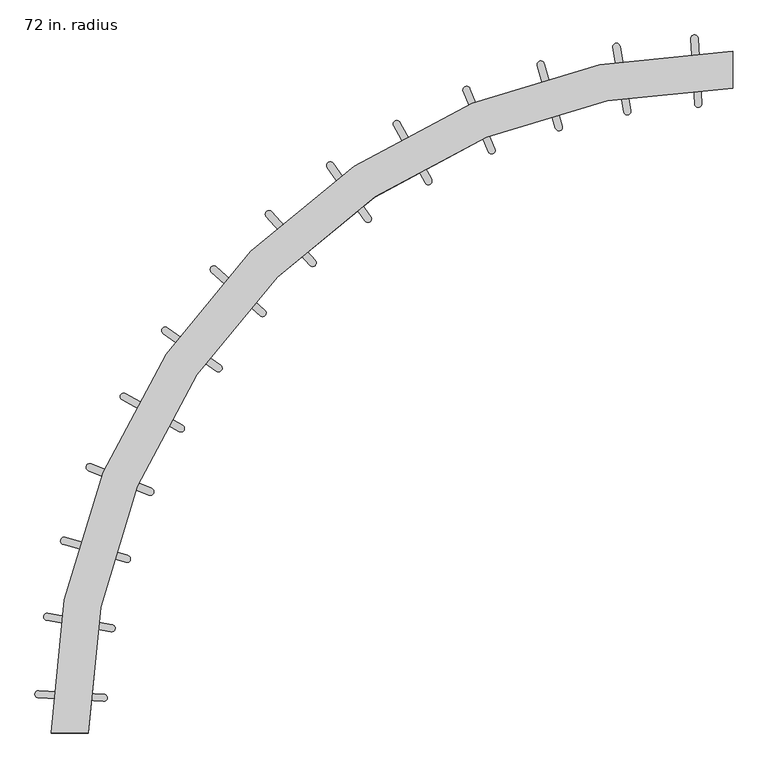
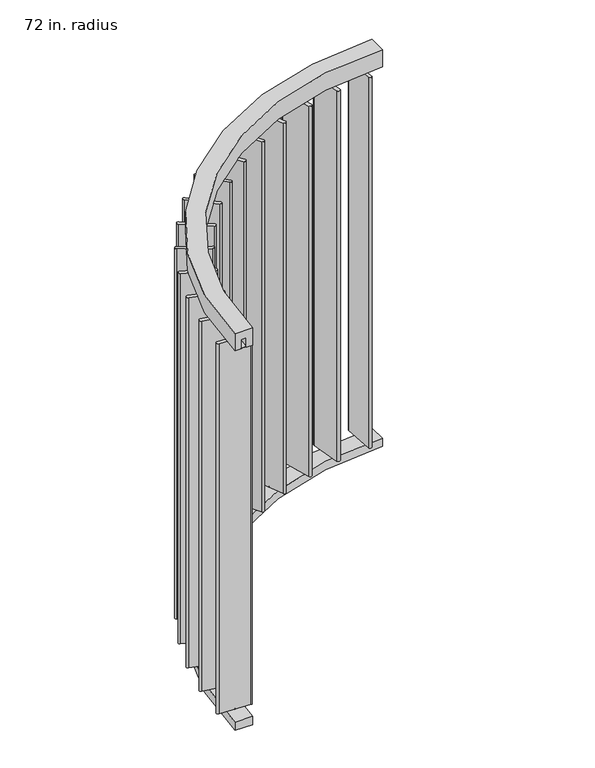
"""IFC4 building model written with IfcOpenShell, lengths in millimetres: furniture geometry, 72 in. radius."""

from ifc_helpers import new_model, si_unit, point, frame, frame_2d, origin, place, context, project, spatial, polyline, circle_curve, trimmed, segment, composite_curve, outline, extrude, source, transform, mapped, element, save
from ifc_brep_helpers import plane_surface, cylinder_surface, revolved_surface, advanced_brep


def furniture_72_in_radius_f867d50b(model_context):
    return source(origin(), model_context, "Body", "SolidModel", [
        extrude(outline(composite_curve([segment(trimmed(circle_curve(frame_2d((-62.7402712, 1825.7118169)), 6.0), [point((-67.2129486, 1829.7112115))], [point((-58.2675938, 1821.7124223))], False, "CARTESIAN"), True, "CONTINUOUS"), segment(trimmed(circle_curve(frame_2d((-62.7402712, 1825.7118169)), 6.0), [point((-58.2675938, 1821.7124223))], [point((-67.2129486, 1829.7112115))], False, "CARTESIAN"), True, "CONTINUOUS")], self_intersect=False)), frame((0.0, 0.0, 2331.8390625), z_axis=(0.0, 0.0, 1.0), x_axis=(1.0, 0.0, 0.0)), (0.0, 0.0, 1.0), 4.9609375),
        extrude(outline(composite_curve([segment(trimmed(circle_curve(frame_2d((-62.7402712, 1825.7118169)), 6.0), [point((-67.2129486, 1829.7112115))], [point((-58.2675938, 1821.7124223))], False, "CARTESIAN"), True, "CONTINUOUS"), segment(trimmed(circle_curve(frame_2d((-62.7402712, 1825.7118169)), 6.0), [point((-58.2675938, 1821.7124223))], [point((-67.2129486, 1829.7112115))], False, "CARTESIAN"), True, "CONTINUOUS")], self_intersect=False)), frame((0.0, 0.0, 63.5), z_axis=(0.0, 0.0, 1.0), x_axis=(1.0, 0.0, 0.0)), (0.0, 0.0, 1.0), 4.9609375),
        extrude(outline(composite_curve([segment(polyline([(-57.7748084, 1916.1124492), (-47.7357097, 1736.4060257)]), True, "CONTINUOUS"), segment(trimmed(circle_curve(frame_2d((-57.7201443, 1735.8482564)), 10.0000021), [point((-47.7357097, 1736.4060257))], [point((-67.704579, 1735.2904875))], False, "CARTESIAN"), True, "CONTINUOUS"), segment(polyline([(-67.704579, 1735.2904875), (-77.7436715, 1914.9969113)]), True, "CONTINUOUS"), segment(trimmed(circle_curve(frame_2d((-67.75924, 1915.55468)), 9.999999), [point((-77.7436715, 1914.9969113))], [point((-57.7748084, 1916.1124492))], False, "CARTESIAN"), True, "CONTINUOUS")], self_intersect=False)), frame((0.0, 0.0, 68.4609375), z_axis=(0.0, 0.0, 1.0), x_axis=(1.0, 0.0, 0.0)), (0.0, 0.0, 1.0), 2263.378125),
        extrude(outline(composite_curve([segment(trimmed(circle_curve(frame_2d((-268.0710539, 1803.8681342)), 6.0), [point((-272.9636666, 1807.3412223))], [point((-263.1784413, 1800.395046))], False, "CARTESIAN"), True, "CONTINUOUS"), segment(trimmed(circle_curve(frame_2d((-268.0710539, 1803.8681342)), 6.0), [point((-263.1784413, 1800.395046))], [point((-272.9636666, 1807.3412223))], False, "CARTESIAN"), True, "CONTINUOUS")], self_intersect=False)), frame((0.0, 0.0, 2331.8390625), z_axis=(0.0, 0.0, 1.0), x_axis=(1.0, 0.0, 0.0)), (0.0, 0.0, 1.0), 4.9609375),
        extrude(outline(composite_curve([segment(trimmed(circle_curve(frame_2d((-268.0710539, 1803.8681342)), 6.0), [point((-272.9636666, 1807.3412223))], [point((-263.1784413, 1800.395046))], False, "CARTESIAN"), True, "CONTINUOUS"), segment(trimmed(circle_curve(frame_2d((-268.0710539, 1803.8681342)), 6.0), [point((-263.1784413, 1800.395046))], [point((-272.9636666, 1807.3412223))], False, "CARTESIAN"), True, "CONTINUOUS")], self_intersect=False)), frame((0.0, 0.0, 63.5), z_axis=(0.0, 0.0, 1.0), x_axis=(1.0, 0.0, 0.0)), (0.0, 0.0, 1.0), 4.9609375),
        extrude(outline(composite_curve([segment(polyline([(-273.2654573, 1894.2559005), (-243.1550337, 1716.8057821)]), True, "CONTINUOUS"), segment(trimmed(circle_curve(frame_2d((-253.0141087, 1715.1328561)), 10.0000021), [point((-243.1550337, 1716.8057821))], [point((-262.8731838, 1713.4599304))], False, "CARTESIAN"), True, "CONTINUOUS"), segment(polyline([(-262.8731838, 1713.4599304), (-292.9836013, 1890.9100498)]), True, "CONTINUOUS"), segment(trimmed(circle_curve(frame_2d((-283.1245293, 1892.582975)), 9.999999), [point((-292.9836013, 1890.9100498))], [point((-273.2654573, 1894.2559005))], False, "CARTESIAN"), True, "CONTINUOUS")], self_intersect=False)), frame((0.0, 0.0, 68.4609375), z_axis=(0.0, 0.0, 1.0), x_axis=(1.0, 0.0, 0.0)), (0.0, 0.0, 1.0), 2263.378125),
        extrude(outline(composite_curve([segment(trimmed(circle_curve(frame_2d((-466.8878934, 1757.4010497)), 6.0), [point((-472.1388292, 1760.3040951))], [point((-461.6369575, 1754.4980042))], False, "CARTESIAN"), True, "CONTINUOUS"), segment(trimmed(circle_curve(frame_2d((-466.8878934, 1757.4010497)), 6.0), [point((-461.6369575, 1754.4980042))], [point((-472.1388292, 1760.3040951))], False, "CARTESIAN"), True, "CONTINUOUS")], self_intersect=False)), frame((0.0, 0.0, 2331.8390625), z_axis=(0.0, 0.0, 1.0), x_axis=(1.0, 0.0, 0.0)), (0.0, 0.0, 1.0), 4.9609375),
        extrude(outline(composite_curve([segment(trimmed(circle_curve(frame_2d((-466.8878934, 1757.4010497)), 6.0), [point((-472.1388292, 1760.3040951))], [point((-461.6369575, 1754.4980042))], False, "CARTESIAN"), True, "CONTINUOUS"), segment(trimmed(circle_curve(frame_2d((-466.8878934, 1757.4010497)), 6.0), [point((-461.6369575, 1754.4980042))], [point((-472.1388292, 1760.3040951))], False, "CARTESIAN"), True, "CONTINUOUS")], self_intersect=False)), frame((0.0, 0.0, 63.5), z_axis=(0.0, 0.0, 1.0), x_axis=(1.0, 0.0, 0.0)), (0.0, 0.0, 1.0), 4.9609375),
        extrude(outline(composite_curve([segment(polyline([(-482.1767518, 1846.6377066), (-432.3741779, 1673.678504)]), True, "CONTINUOUS"), segment(trimmed(circle_curve(frame_2d((-441.983739, 1670.9114881)), 10.0000021), [point((-432.3741779, 1673.678504))], [point((-451.5933002, 1668.1444724))], False, "CARTESIAN"), True, "CONTINUOUS"), segment(polyline([(-451.5933002, 1668.1444724), (-501.3958681, 1841.1036767)]), True, "CONTINUOUS"), segment(trimmed(circle_curve(frame_2d((-491.7863099, 1843.8706915)), 9.999999), [point((-501.3958681, 1841.1036767))], [point((-482.1767518, 1846.6377066))], False, "CARTESIAN"), True, "CONTINUOUS")], self_intersect=False)), frame((0.0, 0.0, 68.4609375), z_axis=(0.0, 0.0, 1.0), x_axis=(1.0, 0.0, 0.0)), (0.0, 0.0, 1.0), 2263.378125),
        extrude(outline(composite_curve([segment(trimmed(circle_curve(frame_2d((-662.1605905, 1690.3465261)), 6.0), [point((-667.703725, 1692.6429711))], [point((-656.617456, 1688.0500811))], False, "CARTESIAN"), True, "CONTINUOUS"), segment(trimmed(circle_curve(frame_2d((-662.1605905, 1690.3465261)), 6.0), [point((-656.617456, 1688.0500811))], [point((-667.703725, 1692.6429711))], False, "CARTESIAN"), True, "CONTINUOUS")], self_intersect=False)), frame((0.0, 0.0, 2331.8390625), z_axis=(0.0, 0.0, 1.0), x_axis=(1.0, 0.0, 0.0)), (0.0, 0.0, 1.0), 4.9609375),
        extrude(outline(composite_curve([segment(trimmed(circle_curve(frame_2d((-662.1605905, 1690.3465261)), 6.0), [point((-667.703725, 1692.6429711))], [point((-656.617456, 1688.0500811))], False, "CARTESIAN"), True, "CONTINUOUS"), segment(trimmed(circle_curve(frame_2d((-662.1605905, 1690.3465261)), 6.0), [point((-656.617456, 1688.0500811))], [point((-667.703725, 1692.6429711))], False, "CARTESIAN"), True, "CONTINUOUS")], self_intersect=False)), frame((0.0, 0.0, 63.5), z_axis=(0.0, 0.0, 1.0), x_axis=(1.0, 0.0, 0.0)), (0.0, 0.0, 1.0), 4.9609375),
        extrude(outline(composite_curve([segment(polyline([(-687.3513729, 1777.3083258), (-618.4838074, 1611.018096)]), True, "CONTINUOUS"), segment(trimmed(circle_curve(frame_2d((-627.7228424, 1607.1918348)), 10.0000021), [point((-618.4838074, 1611.018096))], [point((-636.9618775, 1603.365574))], False, "CARTESIAN"), True, "CONTINUOUS"), segment(polyline([(-636.9618775, 1603.365574), (-705.8294373, 1769.6558062)]), True, "CONTINUOUS"), segment(trimmed(circle_curve(frame_2d((-696.5904051, 1773.4820659)), 9.999999), [point((-705.8294373, 1769.6558062))], [point((-687.3513729, 1777.3083258))], False, "CARTESIAN"), True, "CONTINUOUS")], self_intersect=False)), frame((0.0, 0.0, 68.4609375), z_axis=(0.0, 0.0, 1.0), x_axis=(1.0, 0.0, 0.0)), (0.0, 0.0, 1.0), 2263.378125),
        extrude(outline(composite_curve([segment(trimmed(circle_curve(frame_2d((-845.5208251, 1600.7262647)), 6.0), [point((-851.2863542, 1602.3871903))], [point((-839.755296, 1599.0653391))], False, "CARTESIAN"), True, "CONTINUOUS"), segment(trimmed(circle_curve(frame_2d((-845.5208251, 1600.7262647)), 6.0), [point((-839.755296, 1599.0653391))], [point((-851.2863542, 1602.3871903))], False, "CARTESIAN"), True, "CONTINUOUS")], self_intersect=False)), frame((0.0, 0.0, 2331.8390625), z_axis=(0.0, 0.0, 1.0), x_axis=(1.0, 0.0, 0.0)), (0.0, 0.0, 1.0), 4.9609375),
        extrude(outline(composite_curve([segment(trimmed(circle_curve(frame_2d((-845.5208251, 1600.7262647)), 6.0), [point((-851.2863542, 1602.3871903))], [point((-839.755296, 1599.0653391))], False, "CARTESIAN"), True, "CONTINUOUS"), segment(trimmed(circle_curve(frame_2d((-845.5208251, 1600.7262647)), 6.0), [point((-839.755296, 1599.0653391))], [point((-851.2863542, 1602.3871903))], False, "CARTESIAN"), True, "CONTINUOUS")], self_intersect=False)), frame((0.0, 0.0, 63.5), z_axis=(0.0, 0.0, 1.0), x_axis=(1.0, 0.0, 0.0)), (0.0, 0.0, 1.0), 4.9609375),
        extrude(outline(composite_curve([segment(polyline([(-880.2963067, 1684.3181065), (-793.2309915, 1526.7909247)]), True, "CONTINUOUS"), segment(trimmed(circle_curve(frame_2d((-801.9831542, 1521.953602)), 10.0000021), [point((-793.2309915, 1526.7909247))], [point((-810.735317, 1517.1162797))], False, "CARTESIAN"), True, "CONTINUOUS"), segment(polyline([(-810.735317, 1517.1162797), (-897.8006268, 1674.6434645)]), True, "CONTINUOUS"), segment(trimmed(circle_curve(frame_2d((-889.0484667, 1679.4807853)), 9.999999), [point((-897.8006268, 1674.6434645))], [point((-880.2963067, 1684.3181065))], False, "CARTESIAN"), True, "CONTINUOUS")], self_intersect=False)), frame((0.0, 0.0, 68.4609375), z_axis=(0.0, 0.0, 1.0), x_axis=(1.0, 0.0, 0.0)), (0.0, 0.0, 1.0), 2263.378125),
        extrude(outline(composite_curve([segment(trimmed(circle_curve(frame_2d((-1020.7815216, 1491.8432837)), 6.0), [point((-1026.6968406, 1492.8477742))], [point((-1014.8662026, 1490.8387933))], False, "CARTESIAN"), True, "CONTINUOUS"), segment(trimmed(circle_curve(frame_2d((-1020.7815216, 1491.8432837)), 6.0), [point((-1014.8662026, 1490.8387933))], [point((-1026.6968406, 1492.8477742))], False, "CARTESIAN"), True, "CONTINUOUS")], self_intersect=False)), frame((0.0, 0.0, 2331.8390625), z_axis=(0.0, 0.0, 1.0), x_axis=(1.0, 0.0, 0.0)), (0.0, 0.0, 1.0), 4.9609375),
        extrude(outline(composite_curve([segment(trimmed(circle_curve(frame_2d((-1020.7815216, 1491.8432837)), 6.0), [point((-1026.6968406, 1492.8477742))], [point((-1014.8662026, 1490.8387933))], False, "CARTESIAN"), True, "CONTINUOUS"), segment(trimmed(circle_curve(frame_2d((-1020.7815216, 1491.8432837)), 6.0), [point((-1014.8662026, 1490.8387933))], [point((-1026.6968406, 1492.8477742))], False, "CARTESIAN"), True, "CONTINUOUS")], self_intersect=False)), frame((0.0, 0.0, 63.5), z_axis=(0.0, 0.0, 1.0), x_axis=(1.0, 0.0, 0.0)), (0.0, 0.0, 1.0), 4.9609375),
        extrude(outline(composite_curve([segment(polyline([(-1064.7037786, 1571.0125042), (-960.5371177, 1424.2320938)]), True, "CONTINUOUS"), segment(trimmed(circle_curve(frame_2d((-968.6921931, 1418.4446256)), 10.0000021), [point((-960.5371177, 1424.2320938))], [point((-976.8472686, 1412.6571576))], False, "CARTESIAN"), True, "CONTINUOUS"), segment(polyline([(-976.8472686, 1412.6571576), (-1081.0139244, 1559.4375716)]), True, "CONTINUOUS"), segment(trimmed(circle_curve(frame_2d((-1072.8588514, 1565.2250378)), 9.999999), [point((-1081.0139244, 1559.4375716))], [point((-1064.7037786, 1571.0125042))], False, "CARTESIAN"), True, "CONTINUOUS")], self_intersect=False)), frame((0.0, 0.0, 68.4609375), z_axis=(0.0, 0.0, 1.0), x_axis=(1.0, 0.0, 0.0)), (0.0, 0.0, 1.0), 2263.378125),
        extrude(outline(composite_curve([segment(trimmed(circle_curve(frame_2d((-1181.3122341, 1363.7610939)), 6.0), [point((-1187.302852, 1364.0964998))], [point((-1175.3216162, 1363.4256881))], False, "CARTESIAN"), True, "CONTINUOUS"), segment(trimmed(circle_curve(frame_2d((-1181.3122341, 1363.7610939)), 6.0), [point((-1175.3216162, 1363.4256881))], [point((-1187.302852, 1364.0964998))], False, "CARTESIAN"), True, "CONTINUOUS")], self_intersect=False)), frame((0.0, 0.0, 2331.8390625), z_axis=(0.0, 0.0, 1.0), x_axis=(1.0, 0.0, 0.0)), (0.0, 0.0, 1.0), 4.9609375),
        extrude(outline(composite_curve([segment(trimmed(circle_curve(frame_2d((-1181.3122341, 1363.7610939)), 6.0), [point((-1187.302852, 1364.0964998))], [point((-1175.3216162, 1363.4256881))], False, "CARTESIAN"), True, "CONTINUOUS"), segment(trimmed(circle_curve(frame_2d((-1181.3122341, 1363.7610939)), 6.0), [point((-1175.3216162, 1363.4256881))], [point((-1187.302852, 1364.0964998))], False, "CARTESIAN"), True, "CONTINUOUS")], self_intersect=False)), frame((0.0, 0.0, 63.5), z_axis=(0.0, 0.0, 1.0), x_axis=(1.0, 0.0, 0.0)), (0.0, 0.0, 1.0), 4.9609375),
        extrude(outline(composite_curve([segment(polyline([(-1233.8281567, 1437.5107245), (-1113.8719125, 1303.3254735)]), True, "CONTINUOUS"), segment(trimmed(circle_curve(frame_2d((-1121.3272045, 1296.6607407)), 10.0000021), [point((-1113.8719125, 1303.3254735))], [point((-1128.7824968, 1289.9960083))], False, "CARTESIAN"), True, "CONTINUOUS"), segment(polyline([(-1128.7824968, 1289.9960083), (-1248.7387364, 1424.1812634)]), True, "CONTINUOUS"), segment(trimmed(circle_curve(frame_2d((-1241.2834465, 1430.8459938)), 9.999999), [point((-1248.7387364, 1424.1812634))], [point((-1233.8281567, 1437.5107245))], False, "CARTESIAN"), True, "CONTINUOUS")], self_intersect=False)), frame((0.0, 0.0, 68.4609375), z_axis=(0.0, 0.0, 1.0), x_axis=(1.0, 0.0, 0.0)), (0.0, 0.0, 1.0), 2263.378125),
        extrude(outline(composite_curve([segment(trimmed(circle_curve(frame_2d((-1326.4288115, 1218.4963384)), 6.0), [point((-1332.4192891, 1218.1584358))], [point((-1320.4383339, 1218.834241))], False, "CARTESIAN"), True, "CONTINUOUS"), segment(trimmed(circle_curve(frame_2d((-1326.4288115, 1218.4963384)), 6.0), [point((-1320.4383339, 1218.834241))], [point((-1332.4192891, 1218.1584358))], False, "CARTESIAN"), True, "CONTINUOUS")], self_intersect=False)), frame((0.0, 0.0, 2331.8390625), z_axis=(0.0, 0.0, 1.0), x_axis=(1.0, 0.0, 0.0)), (0.0, 0.0, 1.0), 4.9609375),
        extrude(outline(composite_curve([segment(trimmed(circle_curve(frame_2d((-1326.4288115, 1218.4963384)), 6.0), [point((-1332.4192891, 1218.1584358))], [point((-1320.4383339, 1218.834241))], False, "CARTESIAN"), True, "CONTINUOUS"), segment(trimmed(circle_curve(frame_2d((-1326.4288115, 1218.4963384)), 6.0), [point((-1320.4383339, 1218.834241))], [point((-1332.4192891, 1218.1584358))], False, "CARTESIAN"), True, "CONTINUOUS")], self_intersect=False)), frame((0.0, 0.0, 63.5), z_axis=(0.0, 0.0, 1.0), x_axis=(1.0, 0.0, 0.0)), (0.0, 0.0, 1.0), 4.9609375),
        extrude(outline(composite_curve([segment(polyline([(-1386.8770746, 1285.897656), (-1252.641839, 1165.9973488)]), True, "CONTINUOUS"), segment(trimmed(circle_curve(frame_2d((-1259.3034639, 1158.5392797)), 10.0000021), [point((-1252.641839, 1165.9973488))], [point((-1265.9650891, 1151.0812107))], False, "CARTESIAN"), True, "CONTINUOUS"), segment(polyline([(-1265.9650891, 1151.0812107), (-1400.2003205, 1270.9815225)]), True, "CONTINUOUS"), segment(trimmed(circle_curve(frame_2d((-1393.5386974, 1278.4395891)), 9.999999), [point((-1400.2003205, 1270.9815225))], [point((-1386.8770746, 1285.897656))], False, "CARTESIAN"), True, "CONTINUOUS")], self_intersect=False)), frame((0.0, 0.0, 68.4609375), z_axis=(0.0, 0.0, 1.0), x_axis=(1.0, 0.0, 0.0)), (0.0, 0.0, 1.0), 2263.378125),
        extrude(outline(composite_curve([segment(trimmed(circle_curve(frame_2d((-1454.3038148, 1057.8960751)), 6.0), [point((-1460.2187146, 1056.8891193))], [point((-1448.388915, 1058.9030309))], False, "CARTESIAN"), True, "CONTINUOUS"), segment(trimmed(circle_curve(frame_2d((-1454.3038148, 1057.8960751)), 6.0), [point((-1448.388915, 1058.9030309))], [point((-1460.2187146, 1056.8891193))], False, "CARTESIAN"), True, "CONTINUOUS")], self_intersect=False)), frame((0.0, 0.0, 2331.8390625), z_axis=(0.0, 0.0, 1.0), x_axis=(1.0, 0.0, 0.0)), (0.0, 0.0, 1.0), 4.9609375),
        extrude(outline(composite_curve([segment(trimmed(circle_curve(frame_2d((-1454.3038148, 1057.8960751)), 6.0), [point((-1460.2187146, 1056.8891193))], [point((-1448.388915, 1058.9030309))], False, "CARTESIAN"), True, "CONTINUOUS"), segment(trimmed(circle_curve(frame_2d((-1454.3038148, 1057.8960751)), 6.0), [point((-1448.388915, 1058.9030309))], [point((-1460.2187146, 1056.8891193))], False, "CARTESIAN"), True, "CONTINUOUS")], self_intersect=False)), frame((0.0, 0.0, 63.5), z_axis=(0.0, 0.0, 1.0), x_axis=(1.0, 0.0, 0.0)), (0.0, 0.0, 1.0), 4.9609375),
        extrude(outline(composite_curve([segment(polyline([(-1521.9231987, 1118.100303), (-1375.099384, 1013.9948298)]), True, "CONTINUOUS"), segment(trimmed(circle_curve(frame_2d((-1380.8834527, 1005.837343)), 10.0000021), [point((-1375.099384, 1013.9948298))], [point((-1386.6675216, 997.6798563))], False, "CARTESIAN"), True, "CONTINUOUS"), segment(polyline([(-1386.6675216, 997.6798563), (-1533.4913328, 1101.7853346)]), True, "CONTINUOUS"), segment(trimmed(circle_curve(frame_2d((-1527.7072656, 1109.9428187)), 9.999999), [point((-1533.4913328, 1101.7853346))], [point((-1521.9231987, 1118.100303))], False, "CARTESIAN"), True, "CONTINUOUS")], self_intersect=False)), frame((0.0, 0.0, 68.4609375), z_axis=(0.0, 0.0, 1.0), x_axis=(1.0, 0.0, 0.0)), (0.0, 0.0, 1.0), 2263.378125),
        extrude(outline(composite_curve([segment(trimmed(circle_curve(frame_2d((-1563.4211308, 883.898911)), 6.0), [point((-1569.188701, 882.2450868))], [point((-1557.6535606, 885.5527351))], False, "CARTESIAN"), True, "CONTINUOUS"), segment(trimmed(circle_curve(frame_2d((-1563.4211308, 883.898911)), 6.0), [point((-1557.6535606, 885.5527351))], [point((-1569.188701, 882.2450868))], False, "CARTESIAN"), True, "CONTINUOUS")], self_intersect=False)), frame((0.0, 0.0, 2331.8390625), z_axis=(0.0, 0.0, 1.0), x_axis=(1.0, 0.0, 0.0)), (0.0, 0.0, 1.0), 4.9609375),
        extrude(outline(composite_curve([segment(trimmed(circle_curve(frame_2d((-1563.4211308, 883.898911)), 6.0), [point((-1569.188701, 882.2450868))], [point((-1557.6535606, 885.5527351))], False, "CARTESIAN"), True, "CONTINUOUS"), segment(trimmed(circle_curve(frame_2d((-1563.4211308, 883.898911)), 6.0), [point((-1557.6535606, 885.5527351))], [point((-1569.188701, 882.2450868))], False, "CARTESIAN"), True, "CONTINUOUS")], self_intersect=False)), frame((0.0, 0.0, 63.5), z_axis=(0.0, 0.0, 1.0), x_axis=(1.0, 0.0, 0.0)), (0.0, 0.0, 1.0), 4.9609375),
        extrude(outline(composite_curve([segment(polyline([(-1637.2738897, 936.2697056), (-1479.8540475, 849.0104631)]), True, "CONTINUOUS"), segment(trimmed(circle_curve(frame_2d((-1484.7021447, 840.2642642)), 10.0000021), [point((-1479.8540475, 849.0104631))], [point((-1489.5502421, 831.5180654))], False, "CARTESIAN"), True, "CONTINUOUS"), segment(polyline([(-1489.5502421, 831.5180654), (-1646.9700813, 918.7773134)]), True, "CONTINUOUS"), segment(trimmed(circle_curve(frame_2d((-1642.1219854, 927.5235094)), 9.999999), [point((-1646.9700813, 918.7773134))], [point((-1637.2738897, 936.2697056))], False, "CARTESIAN"), True, "CONTINUOUS")], self_intersect=False)), frame((0.0, 0.0, 68.4609375), z_axis=(0.0, 0.0, 1.0), x_axis=(1.0, 0.0, 0.0)), (0.0, 0.0, 1.0), 2263.378125),
        extrude(outline(composite_curve([segment(trimmed(circle_curve(frame_2d((-1652.7103839, 699.1685369)), 6.0), [point((-1658.233413, 696.8241501))], [point((-1647.1873548, 701.5129236))], False, "CARTESIAN"), True, "CONTINUOUS"), segment(trimmed(circle_curve(frame_2d((-1652.7103839, 699.1685369)), 6.0), [point((-1647.1873548, 701.5129236))], [point((-1658.233413, 696.8241501))], False, "CARTESIAN"), True, "CONTINUOUS")], self_intersect=False)), frame((0.0, 0.0, 2331.8390625), z_axis=(0.0, 0.0, 1.0), x_axis=(1.0, 0.0, 0.0)), (0.0, 0.0, 1.0), 4.9609375),
        extrude(outline(composite_curve([segment(trimmed(circle_curve(frame_2d((-1652.7103839, 699.1685369)), 6.0), [point((-1658.233413, 696.8241501))], [point((-1647.1873548, 701.5129236))], False, "CARTESIAN"), True, "CONTINUOUS"), segment(trimmed(circle_curve(frame_2d((-1652.7103839, 699.1685369)), 6.0), [point((-1647.1873548, 701.5129236))], [point((-1658.233413, 696.8241501))], False, "CARTESIAN"), True, "CONTINUOUS")], self_intersect=False)), frame((0.0, 0.0, 63.5), z_axis=(0.0, 0.0, 1.0), x_axis=(1.0, 0.0, 0.0)), (0.0, 0.0, 1.0), 4.9609375),
        extrude(outline(composite_curve([segment(polyline([(-1732.3950499, 742.1485803), (-1565.5143647, 674.7244078)]), True, "CONTINUOUS"), segment(trimmed(circle_curve(frame_2d((-1569.2604314, 665.4525673)), 10.0000021), [point((-1565.5143647, 674.7244078))], [point((-1573.0064984, 656.1807269))], False, "CARTESIAN"), True, "CONTINUOUS"), segment(polyline([(-1573.0064984, 656.1807269), (-1739.8871813, 723.6049052)]), True, "CONTINUOUS"), segment(trimmed(circle_curve(frame_2d((-1736.1411154, 732.8767427)), 9.999999), [point((-1739.8871813, 723.6049052))], [point((-1732.3950499, 742.1485803))], False, "CARTESIAN"), True, "CONTINUOUS")], self_intersect=False)), frame((0.0, 0.0, 68.4609375), z_axis=(0.0, 0.0, 1.0), x_axis=(1.0, 0.0, 0.0)), (0.0, 0.0, 1.0), 2263.378125),
        extrude(outline(composite_curve([segment(trimmed(circle_curve(frame_2d((-1720.2393717, 504.9831694)), 6.0), [point((-1725.4870899, 502.0743117))], [point((-1714.9916535, 507.8920271))], False, "CARTESIAN"), True, "CONTINUOUS"), segment(trimmed(circle_curve(frame_2d((-1720.2393717, 504.9831694)), 6.0), [point((-1714.9916535, 507.8920271))], [point((-1725.4870899, 502.0743117))], False, "CARTESIAN"), True, "CONTINUOUS")], self_intersect=False)), frame((0.0, 0.0, 2331.8390625), z_axis=(0.0, 0.0, 1.0), x_axis=(1.0, 0.0, 0.0)), (0.0, 0.0, 1.0), 4.9609375),
        extrude(outline(composite_curve([segment(trimmed(circle_curve(frame_2d((-1720.2393717, 504.9831694)), 6.0), [point((-1725.4870899, 502.0743117))], [point((-1714.9916535, 507.8920271))], False, "CARTESIAN"), True, "CONTINUOUS"), segment(trimmed(circle_curve(frame_2d((-1720.2393717, 504.9831694)), 6.0), [point((-1714.9916535, 507.8920271))], [point((-1725.4870899, 502.0743117))], False, "CARTESIAN"), True, "CONTINUOUS")], self_intersect=False)), frame((0.0, 0.0, 63.5), z_axis=(0.0, 0.0, 1.0), x_axis=(1.0, 0.0, 0.0)), (0.0, 0.0, 1.0), 4.9609375),
        extrude(outline(composite_curve([segment(polyline([(-1803.9801547, 539.398448), (-1630.9659142, 489.7874137)]), True, "CONTINUOUS"), segment(trimmed(circle_curve(frame_2d((-1633.7222883, 480.1747947)), 10.0000021), [point((-1630.9659142, 489.7874137))], [point((-1636.4786627, 470.5621758))], False, "CARTESIAN"), True, "CONTINUOUS"), segment(polyline([(-1636.4786627, 470.5621758), (-1809.4929015, 520.1732161)]), True, "CONTINUOUS"), segment(trimmed(circle_curve(frame_2d((-1806.7365279, 529.785832)), 9.999999), [point((-1809.4929015, 520.1732161))], [point((-1803.9801547, 539.398448))], False, "CARTESIAN"), True, "CONTINUOUS")], self_intersect=False)), frame((0.0, 0.0, 68.4609375), z_axis=(0.0, 0.0, 1.0), x_axis=(1.0, 0.0, 0.0)), (0.0, 0.0, 1.0), 2263.378125),
        extrude(outline(composite_curve([segment(trimmed(circle_curve(frame_2d((-1764.6514865, 304.6306878)), 6.0), [point((-1769.5663988, 301.1892292))], [point((-1759.7365742, 308.0721464))], False, "CARTESIAN"), True, "CONTINUOUS"), segment(trimmed(circle_curve(frame_2d((-1764.6514865, 304.6306878)), 6.0), [point((-1759.7365742, 308.0721464))], [point((-1769.5663988, 301.1892292))], False, "CARTESIAN"), True, "CONTINUOUS")], self_intersect=False)), frame((0.0, 0.0, 2331.8390625), z_axis=(0.0, 0.0, 1.0), x_axis=(1.0, 0.0, 0.0)), (0.0, 0.0, 1.0), 4.9609375),
        extrude(outline(composite_curve([segment(trimmed(circle_curve(frame_2d((-1764.6514865, 304.6306878)), 6.0), [point((-1769.5663988, 301.1892292))], [point((-1759.7365742, 308.0721464))], False, "CARTESIAN"), True, "CONTINUOUS"), segment(trimmed(circle_curve(frame_2d((-1764.6514865, 304.6306878)), 6.0), [point((-1759.7365742, 308.0721464))], [point((-1769.5663988, 301.1892292))], False, "CARTESIAN"), True, "CONTINUOUS")], self_intersect=False)), frame((0.0, 0.0, 63.5), z_axis=(0.0, 0.0, 1.0), x_axis=(1.0, 0.0, 0.0)), (0.0, 0.0, 1.0), 4.9609375),
        extrude(outline(composite_curve([segment(polyline([(-1851.5309049, 330.1041406), (-1674.2786893, 298.8497934)]), True, "CONTINUOUS"), segment(trimmed(circle_curve(frame_2d((-1676.0151714, 289.0017138)), 10.0000021), [point((-1674.2786893, 298.8497934))], [point((-1677.7516539, 279.1536342))], False, "CARTESIAN"), True, "CONTINUOUS"), segment(polyline([(-1677.7516539, 279.1536342), (-1855.0038683, 310.4079875)]), True, "CONTINUOUS"), segment(trimmed(circle_curve(frame_2d((-1853.2673864, 320.256064)), 9.999999), [point((-1855.0038683, 310.4079875))], [point((-1851.5309049, 330.1041406))], False, "CARTESIAN"), True, "CONTINUOUS")], self_intersect=False)), frame((0.0, 0.0, 68.4609375), z_axis=(0.0, 0.0, 1.0), x_axis=(1.0, 0.0, 0.0)), (0.0, 0.0, 1.0), 2263.378125),
        extrude(outline(composite_curve([segment(trimmed(circle_curve(frame_2d((-1787.4609431, 102.0781138)), 6.0), [point((-1782.989933, 106.0793722))], [point((-1791.9319532, 98.0768554))], False, "CARTESIAN"), True, "CONTINUOUS"), segment(trimmed(circle_curve(frame_2d((-1787.4609431, 102.0781138)), 6.0), [point((-1791.9319532, 98.0768554))], [point((-1782.989933, 106.0793722))], False, "CARTESIAN"), True, "CONTINUOUS")], self_intersect=False)), frame((0.0, 0.0, 2331.8390625), z_axis=(0.0, 0.0, 1.0), x_axis=(1.0, 0.0, 0.0)), (0.0, 0.0, 1.0), 4.9609375),
        extrude(outline(composite_curve([segment(trimmed(circle_curve(frame_2d((-1787.4609431, 102.0781138)), 6.0), [point((-1782.989933, 106.0793722))], [point((-1791.9319532, 98.0768554))], False, "CARTESIAN"), True, "CONTINUOUS"), segment(trimmed(circle_curve(frame_2d((-1787.4609431, 102.0781138)), 6.0), [point((-1791.9319532, 98.0768554))], [point((-1782.989933, 106.0793722))], False, "CARTESIAN"), True, "CONTINUOUS")], self_intersect=False)), frame((0.0, 0.0, 63.5), z_axis=(0.0, 0.0, 1.0), x_axis=(1.0, 0.0, 0.0)), (0.0, 0.0, 1.0), 4.9609375),
        extrude(outline(composite_curve([segment(polyline([(-1698.1696036, 87.1119244), (-1877.8801958, 97.0761194)]), True, "CONTINUOUS"), segment(trimmed(circle_curve(frame_2d((-1877.3265881, 107.0607857)), 10.0000021), [point((-1877.8801958, 97.0761194))], [point((-1876.7729801, 117.045452))], False, "CARTESIAN"), True, "CONTINUOUS"), segment(polyline([(-1876.7729801, 117.045452), (-1697.0623883, 107.0812507)]), True, "CONTINUOUS"), segment(trimmed(circle_curve(frame_2d((-1697.6159961, 97.0965876)), 9.999999), [point((-1697.0623883, 107.0812507))], [point((-1698.1696036, 87.1119244))], False, "CARTESIAN"), True, "CONTINUOUS")], self_intersect=False)), frame((0.0, 0.0, 68.4609375), z_axis=(0.0, 0.0, 1.0), x_axis=(1.0, 0.0, 0.0)), (0.0, 0.0, 1.0), 2263.378125),
        advanced_brep(
        [(38.1, 1880.0004563, 2439.5538444), (38.1, 1778.4004563, 2439.5538444), (38.1, 1778.4004563, 2332.9929069), (38.1, 1813.9821615, 2332.9929069), (38.1, 1813.9821615, 2389.8540108), (38.1, 1844.4187511, 2389.8540108), (38.1, 1844.4187511, 2332.9929069), (38.1, 1880.0004563, 2332.9929069), (-1841.9004562, 0.0, 2439.5538444), (-1841.9004562, 0.0, 2332.9929069), (-1806.318751, 0.0, 2332.9929069), (-1806.318751, 0.0, 2389.8540108), (-1775.8821615, 0.0, 2389.8540108), (-1775.8821615, 0.0, 2332.9929069), (-1740.3004562, 0.0, 2332.9929069), (-1740.3004562, 0.0, 2439.5538444)],
        [
            (0, 1),
            (1, 2),
            (2, 3),
            (3, 4),
            (4, 5),
            (5, 6),
            (6, 7),
            (7, 0),
            (8, 9),
            (9, 10),
            (10, 11),
            (11, 12),
            (12, 13),
            (13, 14),
            (14, 15),
            (15, 8),
            (15, 1, circle_curve(frame((38.1, 0.0, 2439.5538444), z_axis=(0.0, 0.0, -1.0), x_axis=(0.0, 1.0, 0.0)), 1778.4004562)),
            (0, 8, circle_curve(frame((38.1, 0.0, 2439.5538444), z_axis=(0.0, 0.0, 1.0), x_axis=(0.0, 1.0, 0.0)), 1880.0004562)),
            (14, 2, circle_curve(frame((38.1, 0.0, 2332.9929069), z_axis=(0.0, 0.0, -1.0), x_axis=(0.0, 1.0, 0.0)), 1778.4004562)),
            (7, 9, circle_curve(frame((38.1, 0.0, 2332.9929069), z_axis=(0.0, 0.0, 1.0), x_axis=(0.0, 1.0, 0.0)), 1880.0004562)),
            (13, 3, circle_curve(frame((38.1, 0.0, 2332.9929069), z_axis=(0.0, 0.0, -1.0), x_axis=(0.0, 1.0, 0.0)), 1813.9821615)),
            (12, 4, circle_curve(frame((38.1, 0.0, 2389.8540108), z_axis=(0.0, 0.0, -1.0), x_axis=(0.0, 1.0, 0.0)), 1813.9821615)),
            (11, 5, circle_curve(frame((38.1, 0.0, 2389.8540108), z_axis=(0.0, 0.0, -1.0), x_axis=(0.0, 1.0, 0.0)), 1844.418751)),
            (10, 6, circle_curve(frame((38.1, 0.0, 2332.9929069), z_axis=(0.0, 0.0, -1.0), x_axis=(0.0, 1.0, 0.0)), 1844.418751)),
        ],
        [
            plane_surface(frame((38.1, 0.0, 2452.2538444), z_axis=(1.0, 0.0, 0.0), x_axis=(0.0, 1.0, 0.0))),
            plane_surface(frame((38.1, 0.0, 2452.2538444), z_axis=(0.0, -1.0, 0.0), x_axis=(-1.0, 0.0, 0.0))),
            plane_surface(frame((38.1, 0.0, 2439.5538444), z_axis=(0.0, 0.0, 1.0), x_axis=(0.0, 1.0, 0.0))),
            revolved_surface(polyline([(38.1, 1778.4004562, 2439.5538444), (38.1, 1778.4004562, 2332.9929069)]), (38.1, 0.0, 2452.2538444), (0.0, 0.0, 1.0)),
            cylinder_surface(frame((38.1, 0.0, 2452.2538444), z_axis=(0.0, 0.0, 1.0), x_axis=(0.0, 1.0, 0.0)), 1880.0004562),
            plane_surface(frame((38.1, 0.0, 2332.9929069), z_axis=(0.0, 0.0, -1.0), x_axis=(0.0, 1.0, 0.0))),
            cylinder_surface(frame((38.1, 0.0, 2452.2538444), z_axis=(0.0, 0.0, 1.0), x_axis=(0.0, 1.0, 0.0)), 1813.9821615),
            plane_surface(frame((38.1, 0.0, 2389.8540108), z_axis=(0.0, 0.0, -1.0), x_axis=(0.0, 1.0, 0.0))),
            revolved_surface(polyline([(38.1, 1844.418751, 2389.8540108), (38.1, 1844.418751, 2332.9929069)]), (38.1, 0.0, 2452.2538444), (0.0, 0.0, 1.0)),
        ],
        [
            (0, [[1, 2, 3, 4, 5, 6, 7, 8]]),
            (1, [[9, 10, 11, 12, 13, 14, 15, 16]]),
            (2, [[17, -1, 18, -16]]),
            (3, [[19, -2, -17, -15]]),
            (4, [[-18, -8, 20, -9]]),
            (5, [[21, -3, -19, -14]]),
            (6, [[22, -4, -21, -13]]),
            (7, [[23, -5, -22, -12]]),
            (8, [[24, -6, -23, -11]]),
            (5, [[-20, -7, -24, -10]]),
        ],
    ),
        extrude(outline(composite_curve([segment(trimmed(circle_curve(frame_2d((38.1, 0.0)), 1813.507017), [point((38.1, 1813.5070171))], [point((-1775.4070171, 0.0))], True, "CARTESIAN"), True, "CONTINUOUS"), segment(polyline([(-1775.4070171, 0.0), (-1806.6832164, 0.0)]), True, "CONTINUOUS"), segment(trimmed(circle_curve(frame_2d((38.1, 0.0)), 1844.7832163), [point((-1806.6832164, 0.0))], [point((38.1, 1844.7832164))], False, "CARTESIAN"), True, "CONTINUOUS"), segment(polyline([(38.1, 1844.7832164), (38.1, 1813.5070171)]), True, "CONTINUOUS")], self_intersect=False)), frame((0.0, 0.0, 2336.8), z_axis=(0.0, 0.0, 1.0), x_axis=(1.0, 0.0, 0.0)), (0.0, 0.0, 1.0), 1.7500001),
        extrude(outline(composite_curve([segment(trimmed(circle_curve(frame_2d((38.1, 0.0)), 1880.0004562), [point((-1841.9004562, 0.0))], [point((38.1, 1880.0004562))], False, "CARTESIAN"), True, "CONTINUOUS"), segment(polyline([(38.1, 1880.0004562), (38.1, 1778.4004562)]), True, "CONTINUOUS"), segment(trimmed(circle_curve(frame_2d((38.1, 0.0)), 1778.4004562), [point((38.1, 1778.4004562))], [point((-1740.3004562, 0.0))], True, "CARTESIAN"), True, "CONTINUOUS"), segment(polyline([(-1740.3004562, 0.0), (-1841.9004562, 0.0)]), True, "CONTINUOUS")], self_intersect=False)), frame((0.0, 0.0, 12.6999985), z_axis=(0.0, 0.0, 1.0), x_axis=(1.0, 0.0, 0.0)), (0.0, 0.0, 1.0), 50.8000015),
    ])


if __name__ == "__main__":
    model = new_model("IFC4")
    model_context = context("Model", 3, world=origin())
    ifc_project = project(units=[si_unit("LENGTHUNIT", "METRE", prefix="MILLI")], contexts=[model_context])
    site = spatial("IfcSite", under=ifc_project)
    building = spatial("IfcBuilding", under=site)
    placement = place(None, origin())
    furniture_72_in_radius_shape = furniture_72_in_radius_f867d50b(model_context)
    element("IfcFurniture", 1, ObjectType="72 in. radius", at=placement, inside=building, context=model_context, shape_type="MappedRepresentation", body=[
        mapped(furniture_72_in_radius_shape, transform((0.0, 0.0, 0.0), x_axis=(1.0, 0.0, 0.0), y_axis=(0.0, 1.0, 0.0), z_axis=(0.0, 0.0, 1.0))),
    ])
    save(model, "model.ifc")
